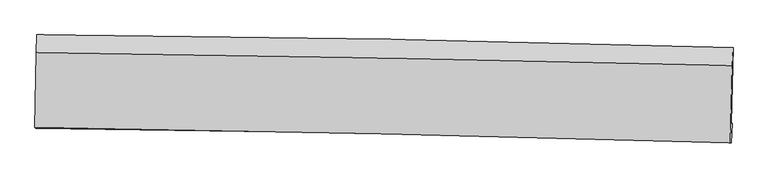
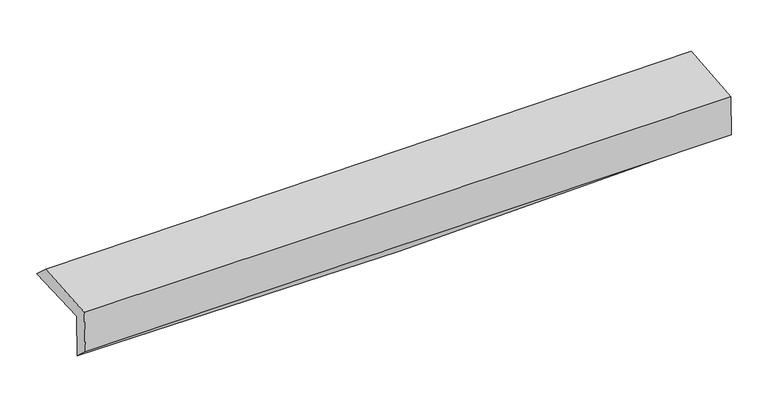
"""IFC4 building model written with IfcOpenShell, lengths in millimetres: proxy geometry."""

from ifc_helpers import new_model, si_unit, frame, origin, place, context, project, spatial, source, transform, mapped, element, save
from ifc_brep_helpers import plane_surface, spline_curve, spline_surface, advanced_brep


def generic_models_c16137fd(model_context):
    return source(origin(), model_context, "Body", "AdvancedBrep", [
        advanced_brep(
        [(-3011.6443359, -1750.5682307, 1971.9163178), (-2999.8434056, -1081.7660796, 1983.7199377), (3004.9574373, -1194.0259972, 2127.7661978), (2988.2208429, -1849.8412256, 2122.2320147), (-3003.3077363, -1747.4008578, 1571.3625816), (2996.8613395, -1846.5583912, 1707.0767493), (-3008.5373119, -1891.1224341, 1699.1400548), (2989.936885, -2015.2323794, 1832.7716526), (-3016.5385854, -1883.6297258, 2092.7591321), (2981.9941785, -2018.2500983, 2214.3997658), (-3005.4451846, -1235.8249798, 2120.4973642), (2998.4639033, -1345.6773428, 2253.774684)],
        [
            (0, 1),
            (1, 2, spline_curve(3, [(-2999.8434056, -1081.7660796, 1983.7199377), (-1998.715173739, -1088.12479808, 1974.29941511), (-998.039210613, -1100.650200225, 1981.57645676), (1003.562114832, -1138.055935822, 2029.553327214), (2004.486432222, -1162.950506377, 2070.291705696), (3004.9574373, -1194.0259972, 2127.7661978)], [4, 2, 4], [0.0, 9.846752739993061, 19.704865461472835])),
            (2, 3),
            (3, 0, spline_curve(3, [(2988.2208429, -1849.8412256, 2122.2320147), (1988.433545586, -1829.977402193, 2065.729816095), (988.262663975, -1811.768925336, 2024.954248688), (-1011.69327893, -1778.681740239, 1974.885240417), (-2011.477457279, -1763.799218484, 1965.555575812), (-3011.6443359, -1750.5682307, 1971.9163178)], [4, 2, 4], [0.0, 9.858112721479774, 19.704865461472835])),
            (4, 0),
            (3, 5),
            (5, 4, spline_curve(3, [(2996.8613395, -1846.5583912, 1707.0767493), (1997.058451963, -1826.700491181, 1651.323618511), (996.854426175, -1808.504607354, 1612.140566282), (-1003.202856507, -1775.455924224, 1566.940677344), (-2003.055189214, -1760.599297142, 1560.885673782), (-3003.3077363, -1747.4008578, 1571.3625816)], [4, 2, 4], [0.0, 9.853877260396288, 19.696399420033124])),
            (6, 4),
            (5, 7),
            (7, 6, spline_curve(3, [(2989.936885, -2015.2323794, 1832.7716526), (1990.088180769, -1983.099151485, 1804.612649163), (990.002662697, -1956.687376001, 1779.392454174), (-1009.48928175, -1915.330572862, 1734.855357549), (-2008.895162635, -1900.372366441, 1715.531686421), (-3008.5373119, -1891.1224341, 1699.1400548)], [4, 2, 4], [0.0, 9.85188991547855, 19.692427020311598])),
            (8, 6),
            (7, 9),
            (9, 8, spline_curve(3, [(2981.9941785, -2018.2500983, 2214.3997658), (1982.137215467, -1987.878492922, 2185.105440828), (982.042684072, -1961.470142118, 2160.318311757), (-1017.46878447, -1916.605813256, 2119.781815593), (-2016.885174141, -1898.140706872, 2104.022066693), (-3016.5385854, -1883.6297258, 2092.7591321)], [4, 2, 4], [0.0, 9.850471576045924, 19.689591975867675])),
            (10, 8),
            (9, 11),
            (11, 10, spline_curve(3, [(2998.4639033, -1345.6773428, 2253.774684), (1997.461795725, -1321.074962061, 2225.803725123), (996.346478592, -1299.615942055, 2200.707055479), (-1004.956811592, -1263.005727769, 2156.287902648), (-2005.144523425, -1247.847293947, 2136.958799159), (-3005.4451846, -1235.8249798, 2120.4973642)], [4, 2, 4], [0.0, 9.854614207177207, 19.697872464375436])),
            (1, 10),
            (11, 2),
        ],
        [
            spline_surface(3, 3, [[(-3011.6443359, -1750.5682307, 1971.9163178), (-2011.477457284, -1763.799218567, 1965.555575771), (-1011.693279045, -1778.681740081, 1974.885240523), (988.26266409, -1811.768925494, 2024.954248581), (1988.433545452, -1829.977402306, 2065.729816141), (2988.2208429, -1849.8412256, 2122.2320147)], [(-3007.710692479, -1527.63418034, 1975.850857755), (-2007.223362764, -1538.574411771, 1968.470188874), (-1007.141922858, -1552.671226777, 1977.115645922), (993.362480941, -1587.197928916, 2026.487274819), (1993.784507761, -1607.635103653, 2067.250445994), (2993.7997077, -1631.236149487, 2124.076742385)], [(-3003.777049021, -1304.70012996, 1979.785397745), (-2002.969268208, -1313.349604957, 1971.384802014), (-1002.59056664, -1326.660713531, 1979.3460513), (998.462297822, -1362.626932397, 2028.020301037), (1999.13547007, -1385.292804939, 2068.771075893), (2999.3785725, -1412.631073313, 2125.921470115)], [(-2999.8434056, -1081.7660796, 1983.7199377), (-1998.715173688, -1088.124798161, 1974.299415117), (-998.039210454, -1100.650200227, 1981.576456699), (1003.562114672, -1138.05593582, 2029.553327275), (2004.486432379, -1162.950506286, 2070.291705746), (3004.9574373, -1194.0259972, 2127.7661978)]], [4, 4], [4, 2, 4], [0.0, 2.2180064787963225], [0.0, 9.846752739993061, 19.704865461472835]),
            spline_surface(3, 3, [[(-3003.3077363, -1747.4008578, 1571.3625816), (-2003.05518921, -1760.599297143, 1560.885673622), (-1003.20285646, -1775.455924328, 1566.940677369), (996.854426129, -1808.50460725, 1612.140566257), (1997.058451941, -1826.700491148, 1651.323618419), (2996.8613395, -1846.5583912, 1707.0767493)], [(-3006.086602823, -1748.456648783, 1704.88049368), (-2005.862611891, -1761.665937634, 1695.775641018), (-1006.032997306, -1776.531196264, 1702.922198431), (993.990505465, -1809.592713349, 1749.745127042), (1994.183483102, -1827.792794845, 1789.459017671), (2993.981173958, -1847.652669311, 1845.461837778)], [(-3008.865469377, -1749.512439717, 1838.39840572), (-2008.670034603, -1762.732578076, 1830.665608375), (-1008.863138199, -1777.606468145, 1838.903719461), (991.126584754, -1810.680819395, 1887.349687796), (1991.30851429, -1828.885098609, 1927.594416889), (2991.101008442, -1848.746947489, 1983.846926222)], [(-3011.6443359, -1750.5682307, 1971.9163178), (-2011.477457284, -1763.799218567, 1965.555575771), (-1011.693279045, -1778.681740081, 1974.885240523), (988.26266409, -1811.768925494, 2024.954248581), (1988.433545452, -1829.977402306, 2065.729816141), (2988.2208429, -1849.8412256, 2122.2320147)]], [4, 4], [4, 2, 4], [0.0, 1.346731065630118], [0.0, 9.842522159636836, 19.696399420033124]),
            spline_surface(3, 3, [[(-3008.5373119, -1891.1224341, 1699.1400548), (-2008.895162538, -1900.372366463, 1715.531686446), (-1009.489281741, -1915.330572847, 1734.855357475), (990.002662688, -1956.687376016, 1779.392454247), (1990.088180873, -1983.09915136, 1804.612649151), (2989.936885, -2015.2323794, 1832.7716526)], [(-3006.794120049, -1843.215241998, 1656.54756373), (-2006.948504777, -1853.781343355, 1663.983015501), (-1007.393806672, -1868.705690021, 1678.883797427), (992.28658381, -1907.293119775, 1723.641824905), (1992.411604574, -1930.966264626, 1753.516305566), (2992.245036512, -1959.007716671, 1790.873351492)], [(-3005.050928151, -1795.308049902, 1613.95507267), (-2005.00184697, -1807.190320252, 1612.434344567), (-1005.298331529, -1822.080807153, 1622.912237417), (994.570505007, -1857.898863491, 1667.8911956), (1994.73502824, -1878.833377881, 1702.419962004), (2994.553187988, -1902.783053929, 1748.975050408)], [(-3003.3077363, -1747.4008578, 1571.3625816), (-2003.05518921, -1760.599297143, 1560.885673622), (-1003.20285646, -1775.455924328, 1566.940677369), (996.854426129, -1808.50460725, 1612.140566257), (1997.058451941, -1826.700491148, 1651.323618419), (2996.8613395, -1846.5583912, 1707.0767493)]], [4, 4], [4, 2, 4], [0.0, 0.7253018548905048], [0.0, 9.840537104833048, 19.692427020311598]),
            spline_surface(3, 3, [[(-3016.5385854, -1883.6297258, 2092.7591321), (-2016.88517427, -1898.1407068, 2104.022066636), (-1017.468784462, -1916.605813364, 2119.781815592), (982.042684065, -1961.47014201, 2160.318311759), (1982.137215519, -1987.878492978, 2185.105440697), (2981.9941785, -2018.2500983, 2214.3997658)], [(-3013.871494207, -1886.127295212, 1961.552772994), (-2014.221836999, -1898.884593333, 1974.525273234), (-1014.808950223, -1916.180733177, 1991.472996227), (984.696010271, -1959.875886664, 2033.343025929), (1984.787537304, -1986.28537912, 2058.274510173), (2984.641747333, -2017.244192015, 2087.190394725)], [(-3011.204403093, -1888.624864688, 1830.346413906), (-2011.558499809, -1899.62847993, 1845.028479848), (-1012.14911598, -1915.755653033, 1863.164176839), (987.349336482, -1958.281631361, 1906.367740077), (1987.437859089, -1984.692265217, 1931.443579675), (2987.289316167, -2016.238285685, 1959.981023675)], [(-3008.5373119, -1891.1224341, 1699.1400548), (-2008.895162538, -1900.372366463, 1715.531686446), (-1009.489281741, -1915.330572847, 1734.855357475), (990.002662688, -1956.687376016, 1779.392454247), (1990.088180873, -1983.09915136, 1804.612649151), (2989.936885, -2015.2323794, 1832.7716526)]], [4, 4], [4, 2, 4], [0.0, 1.2566232727216513], [0.0, 9.83912039982175, 19.689591975867675]),
            spline_surface(3, 3, [[(-3005.4451846, -1235.8249798, 2120.4973642), (-2005.144523494, -1247.847293879, 2136.958799081), (-1004.956811529, -1263.005727901, 2156.287902713), (996.346478528, -1299.615941922, 2200.707055414), (1997.461795877, -1321.07496222, 2225.803725082), (2998.4639033, -1345.6773428, 2253.774684)], [(-3009.142984879, -1451.759895152, 2111.251286834), (-2009.058073765, -1464.611764871, 2125.979888266), (-1009.127469174, -1480.872423053, 2144.119206995), (991.57854704, -1520.234008616, 2187.244140851), (1992.353602438, -1543.342805801, 2212.237630307), (2992.973995047, -1569.868261296, 2240.649711287)], [(-3012.840785121, -1667.694810448, 2102.005209466), (-2012.971623999, -1681.376235807, 2115.00097745), (-1013.298126817, -1698.739118212, 2131.95051131), (986.810615553, -1740.852075316, 2173.781226321), (1987.245408959, -1765.610649396, 2198.671535471), (2987.484086753, -1794.059179804, 2227.524738513)], [(-3016.5385854, -1883.6297258, 2092.7591321), (-2016.88517427, -1898.1407068, 2104.022066636), (-1017.468784462, -1916.605813364, 2119.781815592), (982.042684065, -1961.47014201, 2160.318311759), (1982.137215519, -1987.878492978, 2185.105440697), (2981.9941785, -2018.2500983, 2214.3997658)]], [4, 4], [4, 2, 4], [0.0, 2.1620446896502044], [0.0, 9.84325825719823, 19.697872464375436]),
            spline_surface(3, 3, [[(-2999.8434056, -1081.7660796, 1983.7199377), (-1998.715173688, -1088.124798161, 1974.299415117), (-998.039210454, -1100.650200227, 1981.576456699), (1003.562114672, -1138.05593582, 2029.553327275), (2004.486432379, -1162.950506286, 2070.291705746), (3004.9574373, -1194.0259972, 2127.7661978)], [(-3001.710665263, -1133.119046315, 2029.312413207), (-2000.858290287, -1141.365630049, 2028.519209779), (-1000.345077457, -1154.768709455, 2039.813605369), (1001.156902646, -1191.909271191, 2086.604569987), (2002.144886863, -1215.658658252, 2122.129045524), (3002.792925951, -1244.576445721, 2169.769026533)], [(-3003.577924937, -1184.472013085, 2074.904888693), (-2003.001406895, -1194.606461991, 2082.739004419), (-1002.650944525, -1208.887218673, 2098.050754043), (998.751690555, -1245.762606552, 2143.655812703), (1999.803341394, -1268.366810254, 2173.966385303), (3000.628414649, -1295.126894279, 2211.771855267)], [(-3005.4451846, -1235.8249798, 2120.4973642), (-2005.144523494, -1247.847293879, 2136.958799081), (-1004.956811529, -1263.005727901, 2156.287902713), (996.346478528, -1299.615941922, 2200.707055414), (1997.461795877, -1321.07496222, 2225.803725082), (2998.4639033, -1345.6773428, 2253.774684)]], [4, 4], [4, 2, 4], [0.0, 0.7776703033466582], [0.0, 9.848968277058415, 19.709299091619798]),
            plane_surface(frame((2993.4057644, -1711.5975724, 2043.0035107), z_axis=(0.9994579689569738, -0.02568027837690106, 0.02059833951768243), x_axis=(0.020807530605900328, 0.007905526590567943, -0.9997522439681795))),
            plane_surface(frame((-3007.55276, -1598.3853846, 1906.565898), z_axis=(-0.9996244072303919, 0.01800291811012307, -0.020662512161109155), x_axis=(-0.017639382590921317, -0.9996887328150657, -0.017643402858277802))),
        ],
        [
            (0, [[1, 2, 3, 4]]),
            (1, [[5, -4, 6, 7]]),
            (2, [[8, -7, 9, 10]]),
            (3, [[11, -10, 12, 13]]),
            (4, [[14, -13, 15, 16]]),
            (5, [[17, -16, 18, -2]]),
            (6, [[-12, -9, -6, -3, -18, -15]]),
            (7, [[-1, -5, -8, -11, -14, -17]]),
        ],
    ),
    ])


if __name__ == "__main__":
    model = new_model("IFC4")
    model_context = context("Model", 3, world=origin())
    ifc_project = project(units=[si_unit("LENGTHUNIT", "METRE", prefix="MILLI")], contexts=[model_context])
    site = spatial("IfcSite", under=ifc_project)
    building = spatial("IfcBuilding", under=site)
    placement = place(None, origin())
    generic_models_shape = generic_models_c16137fd(model_context)
    element("IfcBuildingElementProxy", 1, Name="Generic Models", at=placement, inside=building, context=model_context, shape_type="MappedRepresentation", body=[
        mapped(generic_models_shape, transform((0.0, 0.0, 0.0), x_axis=(1.0, 0.0, 0.0), y_axis=(0.0, 1.0, 0.0), z_axis=(0.0, 0.0, 1.0))),
    ])
    save(model, "model.ifc")
